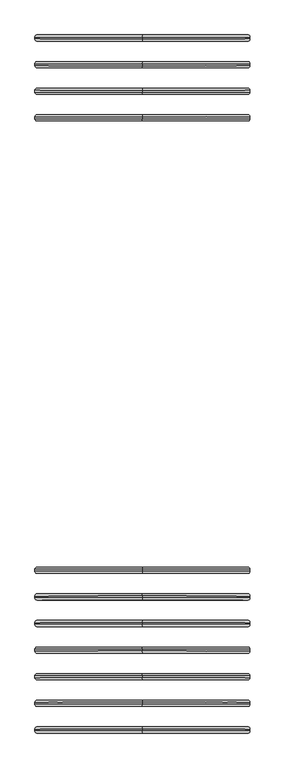
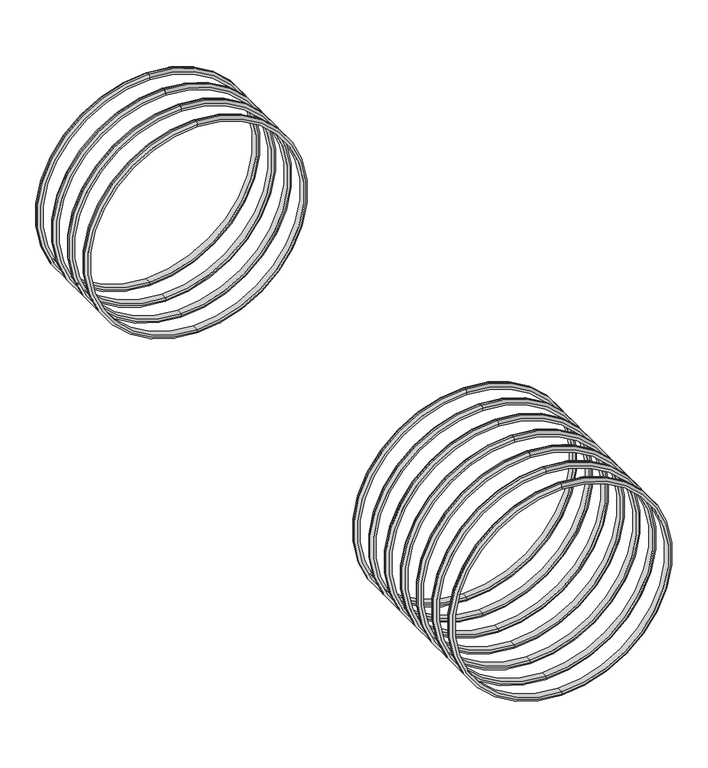
"""IFC4 building model written with IfcOpenShell, lengths in millimetres: proxy geometry."""

from ifc_helpers import new_model, si_unit, point, frame, origin, place, context, project, spatial, polyline, circle_curve, ellipse_curve, trimmed, source, transform, mapped, element, save
from ifc_brep_helpers import plane_surface, cylinder_surface, revolved_surface, advanced_brep


def generic_models_a071ecbd(model_context):
    return source(origin(), model_context, "Body", "AdvancedBrep", [
        advanced_brep(
        [(0.0, -7334.5, -5669.0), (0.0, -7334.5, -3331.0), (0.0, -7334.5, -3306.0), (0.0, -7334.5, -5694.0), (0.0, -7264.5, -5669.0), (0.0, -7264.5, -3331.0), (0.0, -7264.5, -5694.0), (0.0, -7264.5, -3306.0), (0.0, -7309.5, -3281.0), (0.0, -7309.5, -5719.0), (0.0, -7289.5, -3281.0), (0.0, -7289.5, -5719.0)],
        [
            (0, 1, circle_curve(frame((0.0, -7334.5, -4500.0), z_axis=(0.0, 1.0, 0.0), x_axis=(0.0, 0.0, 1.0)), 1169.0)),
            (1, 2),
            (2, 3, circle_curve(frame((0.0, -7334.5, -4500.0), z_axis=(0.0, -1.0, 0.0), x_axis=(0.0, 0.0, 1.0)), 1194.0)),
            (3, 0),
            (4, 5, circle_curve(frame((0.0, -7264.5, -4500.0), z_axis=(0.0, 1.0, 0.0), x_axis=(0.0, 0.0, 1.0)), 1169.0)),
            (5, 1),
            (0, 4),
            (6, 7, circle_curve(frame((0.0, -7264.5, -4500.0), z_axis=(0.0, 1.0, 0.0), x_axis=(0.0, 0.0, 1.0)), 1194.0)),
            (7, 5),
            (4, 6),
            (7, 6, circle_curve(frame((0.0, -7264.5, -4500.0), z_axis=(0.0, 1.0, 0.0), x_axis=(0.0, 0.0, 1.0)), 1194.0)),
            (4, 5, circle_curve(frame((0.0, -7264.5, -4500.0), z_axis=(0.0, -1.0, 0.0), x_axis=(0.0, 0.0, 1.0)), 1169.0)),
            (0, 1, circle_curve(frame((0.0, -7334.5, -4500.0), z_axis=(0.0, -1.0, 0.0), x_axis=(0.0, 0.0, 1.0)), 1169.0)),
            (3, 2, circle_curve(frame((0.0, -7334.5, -4500.0), z_axis=(0.0, -1.0, 0.0), x_axis=(0.0, 0.0, 1.0)), 1194.0)),
            (2, 8, circle_curve(frame((0.0, -7309.5, -3306.0), z_axis=(-1.0, 0.0, 0.0), x_axis=(0.0, -1.0, 0.0)), 25.0)),
            (8, 9, circle_curve(frame((0.0, -7309.5, -4500.0), z_axis=(0.0, -1.0, 0.0), x_axis=(0.0, 0.0, 1.0)), 1219.0)),
            (9, 3, circle_curve(frame((0.0, -7309.5, -5694.0), z_axis=(-1.0, 0.0, 0.0), x_axis=(0.0, -1.0, 0.0)), 25.0)),
            (9, 8, circle_curve(frame((0.0, -7309.5, -4500.0), z_axis=(0.0, -1.0, 0.0), x_axis=(0.0, 0.0, 1.0)), 1219.0)),
            (8, 10),
            (10, 11, circle_curve(frame((0.0, -7289.5, -4500.0), z_axis=(0.0, -1.0, 0.0), x_axis=(0.0, 0.0, 1.0)), 1219.0)),
            (11, 9),
            (11, 10, circle_curve(frame((0.0, -7289.5, -4500.0), z_axis=(0.0, -1.0, 0.0), x_axis=(0.0, 0.0, 1.0)), 1219.0)),
            (10, 7, circle_curve(frame((0.0, -7289.5, -3306.0), z_axis=(-1.0, 0.0, 0.0), x_axis=(0.0, -1.0, 0.0)), 25.0)),
            (6, 11, circle_curve(frame((0.0, -7289.5, -5694.0), z_axis=(-1.0, 0.0, 0.0), x_axis=(0.0, -1.0, 0.0)), 25.0)),
        ],
        [
            plane_surface(frame((0.0, -7334.5, -4500.0), z_axis=(0.0, -1.0, 0.0), x_axis=(0.0, 0.0, 1.0))),
            revolved_surface(polyline([(0.0, -7334.5, -3331.0), (0.0, -7264.5, -3331.0)]), (0.0, -7444.5, -4500.0), (0.0, -1.0, 0.0)),
            plane_surface(frame((0.0, -7264.5, -4500.0), z_axis=(0.0, 1.0, 0.0), x_axis=(0.0, 0.0, 1.0))),
            revolved_surface(trimmed(ellipse_curve(frame((0.0, -7309.5, -3306.0), z_axis=(1.0, 0.0, 0.0), x_axis=(0.0, -1.0, 0.0)), 25.0, 25.0), [point((0.0, -7309.5, -3281.0))], [point((0.0, -7334.5, -3306.0))], True, "CARTESIAN"), (0.0, -7444.5, -4500.0), (0.0, -1.0, 0.0)),
            cylinder_surface(frame((0.0, -7444.5, -4500.0), z_axis=(0.0, -1.0, 0.0), x_axis=(0.0, 0.0, 1.0)), 1219.0),
            revolved_surface(trimmed(ellipse_curve(frame((0.0, -7289.5, -3306.0), z_axis=(1.0, 0.0, 0.0), x_axis=(0.0, -1.0, 0.0)), 25.0, 25.0), [point((0.0, -7264.5, -3306.0))], [point((0.0, -7289.5, -3281.0))], True, "CARTESIAN"), (0.0, -7444.5, -4500.0), (0.0, -1.0, 0.0)),
        ],
        [
            (0, [[1, 2, 3, 4]]),
            (1, [[5, 6, -1, 7]]),
            (2, [[8, 9, -5, 10]]),
            (2, [[11, -10, 12, -9]]),
            (1, [[-12, -7, 13, -6]]),
            (0, [[-13, -4, 14, -2]]),
            (3, [[-3, 15, 16, 17]]),
            (3, [[-14, -17, 18, -15]]),
            (4, [[-16, 19, 20, 21]]),
            (4, [[-18, -21, 22, -19]]),
            (5, [[-20, 23, -8, 24]]),
            (5, [[-22, -24, -11, -23]]),
        ],
    ),
        advanced_brep(
        [(0.0, -7034.5, -5669.0), (0.0, -7034.5, -3331.0), (0.0, -7034.5, -3306.0), (0.0, -7034.5, -5694.0), (0.0, -6964.5, -5669.0), (0.0, -6964.5, -3331.0), (0.0, -6964.5, -5694.0), (0.0, -6964.5, -3306.0), (0.0, -7009.5, -3281.0), (0.0, -7009.5, -5719.0), (0.0, -6989.5, -3281.0), (0.0, -6989.5, -5719.0)],
        [
            (0, 1, circle_curve(frame((0.0, -7034.5, -4500.0), z_axis=(0.0, 1.0, 0.0), x_axis=(0.0, 0.0, 1.0)), 1169.0)),
            (1, 2),
            (2, 3, circle_curve(frame((0.0, -7034.5, -4500.0), z_axis=(0.0, -1.0, 0.0), x_axis=(0.0, 0.0, 1.0)), 1194.0)),
            (3, 0),
            (4, 5, circle_curve(frame((0.0, -6964.5, -4500.0), z_axis=(0.0, 1.0, 0.0), x_axis=(0.0, 0.0, 1.0)), 1169.0)),
            (5, 1),
            (0, 4),
            (6, 7, circle_curve(frame((0.0, -6964.5, -4500.0), z_axis=(0.0, 1.0, 0.0), x_axis=(0.0, 0.0, 1.0)), 1194.0)),
            (7, 5),
            (4, 6),
            (7, 6, circle_curve(frame((0.0, -6964.5, -4500.0), z_axis=(0.0, 1.0, 0.0), x_axis=(0.0, 0.0, 1.0)), 1194.0)),
            (4, 5, circle_curve(frame((0.0, -6964.5, -4500.0), z_axis=(0.0, -1.0, 0.0), x_axis=(0.0, 0.0, 1.0)), 1169.0)),
            (0, 1, circle_curve(frame((0.0, -7034.5, -4500.0), z_axis=(0.0, -1.0, 0.0), x_axis=(0.0, 0.0, 1.0)), 1169.0)),
            (3, 2, circle_curve(frame((0.0, -7034.5, -4500.0), z_axis=(0.0, -1.0, 0.0), x_axis=(0.0, 0.0, 1.0)), 1194.0)),
            (2, 8, circle_curve(frame((0.0, -7009.5, -3306.0), z_axis=(-1.0, 0.0, 0.0), x_axis=(0.0, -1.0, 0.0)), 25.0)),
            (8, 9, circle_curve(frame((0.0, -7009.5, -4500.0), z_axis=(0.0, -1.0, 0.0), x_axis=(0.0, 0.0, 1.0)), 1219.0)),
            (9, 3, circle_curve(frame((0.0, -7009.5, -5694.0), z_axis=(-1.0, 0.0, 0.0), x_axis=(0.0, -1.0, 0.0)), 25.0)),
            (9, 8, circle_curve(frame((0.0, -7009.5, -4500.0), z_axis=(0.0, -1.0, 0.0), x_axis=(0.0, 0.0, 1.0)), 1219.0)),
            (8, 10),
            (10, 11, circle_curve(frame((0.0, -6989.5, -4500.0), z_axis=(0.0, -1.0, 0.0), x_axis=(0.0, 0.0, 1.0)), 1219.0)),
            (11, 9),
            (11, 10, circle_curve(frame((0.0, -6989.5, -4500.0), z_axis=(0.0, -1.0, 0.0), x_axis=(0.0, 0.0, 1.0)), 1219.0)),
            (10, 7, circle_curve(frame((0.0, -6989.5, -3306.0), z_axis=(-1.0, 0.0, 0.0), x_axis=(0.0, -1.0, 0.0)), 25.0)),
            (6, 11, circle_curve(frame((0.0, -6989.5, -5694.0), z_axis=(-1.0, 0.0, 0.0), x_axis=(0.0, -1.0, 0.0)), 25.0)),
        ],
        [
            plane_surface(frame((0.0, -7034.5, -4500.0), z_axis=(0.0, -1.0, 0.0), x_axis=(0.0, 0.0, 1.0))),
            revolved_surface(polyline([(0.0, -7034.5, -3331.0), (0.0, -6964.5, -3331.0)]), (0.0, -7144.5, -4500.0), (0.0, -1.0, 0.0)),
            plane_surface(frame((0.0, -6964.5, -4500.0), z_axis=(0.0, 1.0, 0.0), x_axis=(0.0, 0.0, 1.0))),
            revolved_surface(trimmed(ellipse_curve(frame((0.0, -7009.5, -3306.0), z_axis=(1.0, 0.0, 0.0), x_axis=(0.0, -1.0, 0.0)), 25.0, 25.0), [point((0.0, -7009.5, -3281.0))], [point((0.0, -7034.5, -3306.0))], True, "CARTESIAN"), (0.0, -7144.5, -4500.0), (0.0, -1.0, 0.0)),
            cylinder_surface(frame((0.0, -7144.5, -4500.0), z_axis=(0.0, -1.0, 0.0), x_axis=(0.0, 0.0, 1.0)), 1219.0),
            revolved_surface(trimmed(ellipse_curve(frame((0.0, -6989.5, -3306.0), z_axis=(1.0, 0.0, 0.0), x_axis=(0.0, -1.0, 0.0)), 25.0, 25.0), [point((0.0, -6964.5, -3306.0))], [point((0.0, -6989.5, -3281.0))], True, "CARTESIAN"), (0.0, -7144.5, -4500.0), (0.0, -1.0, 0.0)),
        ],
        [
            (0, [[1, 2, 3, 4]]),
            (1, [[5, 6, -1, 7]]),
            (2, [[8, 9, -5, 10]]),
            (2, [[11, -10, 12, -9]]),
            (1, [[-12, -7, 13, -6]]),
            (0, [[-13, -4, 14, -2]]),
            (3, [[-3, 15, 16, 17]]),
            (3, [[-14, -17, 18, -15]]),
            (4, [[-16, 19, 20, 21]]),
            (4, [[-18, -21, 22, -19]]),
            (5, [[-20, 23, -8, 24]]),
            (5, [[-22, -24, -11, -23]]),
        ],
    ),
        advanced_brep(
        [(0.0, -6734.5, -5669.0), (0.0, -6734.5, -3331.0), (0.0, -6734.5, -3306.0), (0.0, -6734.5, -5694.0), (0.0, -6664.5, -5669.0), (0.0, -6664.5, -3331.0), (0.0, -6664.5, -5694.0), (0.0, -6664.5, -3306.0), (0.0, -6709.5, -3281.0), (0.0, -6709.5, -5719.0), (0.0, -6689.5, -3281.0), (0.0, -6689.5, -5719.0)],
        [
            (0, 1, circle_curve(frame((0.0, -6734.5, -4500.0), z_axis=(0.0, 1.0, 0.0), x_axis=(0.0, 0.0, 1.0)), 1169.0)),
            (1, 2),
            (2, 3, circle_curve(frame((0.0, -6734.5, -4500.0), z_axis=(0.0, -1.0, 0.0), x_axis=(0.0, 0.0, 1.0)), 1194.0)),
            (3, 0),
            (4, 5, circle_curve(frame((0.0, -6664.5, -4500.0), z_axis=(0.0, 1.0, 0.0), x_axis=(0.0, 0.0, 1.0)), 1169.0)),
            (5, 1),
            (0, 4),
            (6, 7, circle_curve(frame((0.0, -6664.5, -4500.0), z_axis=(0.0, 1.0, 0.0), x_axis=(0.0, 0.0, 1.0)), 1194.0)),
            (7, 5),
            (4, 6),
            (7, 6, circle_curve(frame((0.0, -6664.5, -4500.0), z_axis=(0.0, 1.0, 0.0), x_axis=(0.0, 0.0, 1.0)), 1194.0)),
            (4, 5, circle_curve(frame((0.0, -6664.5, -4500.0), z_axis=(0.0, -1.0, 0.0), x_axis=(0.0, 0.0, 1.0)), 1169.0)),
            (0, 1, circle_curve(frame((0.0, -6734.5, -4500.0), z_axis=(0.0, -1.0, 0.0), x_axis=(0.0, 0.0, 1.0)), 1169.0)),
            (3, 2, circle_curve(frame((0.0, -6734.5, -4500.0), z_axis=(0.0, -1.0, 0.0), x_axis=(0.0, 0.0, 1.0)), 1194.0)),
            (2, 8, circle_curve(frame((0.0, -6709.5, -3306.0), z_axis=(-1.0, 0.0, 0.0), x_axis=(0.0, -1.0, 0.0)), 25.0)),
            (8, 9, circle_curve(frame((0.0, -6709.5, -4500.0), z_axis=(0.0, -1.0, 0.0), x_axis=(0.0, 0.0, 1.0)), 1219.0)),
            (9, 3, circle_curve(frame((0.0, -6709.5, -5694.0), z_axis=(-1.0, 0.0, 0.0), x_axis=(0.0, -1.0, 0.0)), 25.0)),
            (9, 8, circle_curve(frame((0.0, -6709.5, -4500.0), z_axis=(0.0, -1.0, 0.0), x_axis=(0.0, 0.0, 1.0)), 1219.0)),
            (8, 10),
            (10, 11, circle_curve(frame((0.0, -6689.5, -4500.0), z_axis=(0.0, -1.0, 0.0), x_axis=(0.0, 0.0, 1.0)), 1219.0)),
            (11, 9),
            (11, 10, circle_curve(frame((0.0, -6689.5, -4500.0), z_axis=(0.0, -1.0, 0.0), x_axis=(0.0, 0.0, 1.0)), 1219.0)),
            (10, 7, circle_curve(frame((0.0, -6689.5, -3306.0), z_axis=(-1.0, 0.0, 0.0), x_axis=(0.0, -1.0, 0.0)), 25.0)),
            (6, 11, circle_curve(frame((0.0, -6689.5, -5694.0), z_axis=(-1.0, 0.0, 0.0), x_axis=(0.0, -1.0, 0.0)), 25.0)),
        ],
        [
            plane_surface(frame((0.0, -6734.5, -4500.0), z_axis=(0.0, -1.0, 0.0), x_axis=(0.0, 0.0, 1.0))),
            revolved_surface(polyline([(0.0, -6734.5, -3331.0), (0.0, -6664.5, -3331.0)]), (0.0, -6844.5, -4500.0), (0.0, -1.0, 0.0)),
            plane_surface(frame((0.0, -6664.5, -4500.0), z_axis=(0.0, 1.0, 0.0), x_axis=(0.0, 0.0, 1.0))),
            revolved_surface(trimmed(ellipse_curve(frame((0.0, -6709.5, -3306.0), z_axis=(1.0, 0.0, 0.0), x_axis=(0.0, -1.0, 0.0)), 25.0, 25.0), [point((0.0, -6709.5, -3281.0))], [point((0.0, -6734.5, -3306.0))], True, "CARTESIAN"), (0.0, -6844.5, -4500.0), (0.0, -1.0, 0.0)),
            cylinder_surface(frame((0.0, -6844.5, -4500.0), z_axis=(0.0, -1.0, 0.0), x_axis=(0.0, 0.0, 1.0)), 1219.0),
            revolved_surface(trimmed(ellipse_curve(frame((0.0, -6689.5, -3306.0), z_axis=(1.0, 0.0, 0.0), x_axis=(0.0, -1.0, 0.0)), 25.0, 25.0), [point((0.0, -6664.5, -3306.0))], [point((0.0, -6689.5, -3281.0))], True, "CARTESIAN"), (0.0, -6844.5, -4500.0), (0.0, -1.0, 0.0)),
        ],
        [
            (0, [[1, 2, 3, 4]]),
            (1, [[5, 6, -1, 7]]),
            (2, [[8, 9, -5, 10]]),
            (2, [[11, -10, 12, -9]]),
            (1, [[-12, -7, 13, -6]]),
            (0, [[-13, -4, 14, -2]]),
            (3, [[-3, 15, 16, 17]]),
            (3, [[-14, -17, 18, -15]]),
            (4, [[-16, 19, 20, 21]]),
            (4, [[-18, -21, 22, -19]]),
            (5, [[-20, 23, -8, 24]]),
            (5, [[-22, -24, -11, -23]]),
        ],
    ),
        advanced_brep(
        [(0.0, -6434.5, -5669.0), (0.0, -6434.5, -3331.0), (0.0, -6434.5, -3306.0), (0.0, -6434.5, -5694.0), (0.0, -6364.5, -5669.0), (0.0, -6364.5, -3331.0), (0.0, -6364.5, -5694.0), (0.0, -6364.5, -3306.0), (0.0, -6409.5, -3281.0), (0.0, -6409.5, -5719.0), (0.0, -6389.5, -3281.0), (0.0, -6389.5, -5719.0)],
        [
            (0, 1, circle_curve(frame((0.0, -6434.5, -4500.0), z_axis=(0.0, 1.0, 0.0), x_axis=(0.0, 0.0, 1.0)), 1169.0)),
            (1, 2),
            (2, 3, circle_curve(frame((0.0, -6434.5, -4500.0), z_axis=(0.0, -1.0, 0.0), x_axis=(0.0, 0.0, 1.0)), 1194.0)),
            (3, 0),
            (4, 5, circle_curve(frame((0.0, -6364.5, -4500.0), z_axis=(0.0, 1.0, 0.0), x_axis=(0.0, 0.0, 1.0)), 1169.0)),
            (5, 1),
            (0, 4),
            (6, 7, circle_curve(frame((0.0, -6364.5, -4500.0), z_axis=(0.0, 1.0, 0.0), x_axis=(0.0, 0.0, 1.0)), 1194.0)),
            (7, 5),
            (4, 6),
            (7, 6, circle_curve(frame((0.0, -6364.5, -4500.0), z_axis=(0.0, 1.0, 0.0), x_axis=(0.0, 0.0, 1.0)), 1194.0)),
            (4, 5, circle_curve(frame((0.0, -6364.5, -4500.0), z_axis=(0.0, -1.0, 0.0), x_axis=(0.0, 0.0, 1.0)), 1169.0)),
            (0, 1, circle_curve(frame((0.0, -6434.5, -4500.0), z_axis=(0.0, -1.0, 0.0), x_axis=(0.0, 0.0, 1.0)), 1169.0)),
            (3, 2, circle_curve(frame((0.0, -6434.5, -4500.0), z_axis=(0.0, -1.0, 0.0), x_axis=(0.0, 0.0, 1.0)), 1194.0)),
            (2, 8, circle_curve(frame((0.0, -6409.5, -3306.0), z_axis=(-1.0, 0.0, 0.0), x_axis=(0.0, -1.0, 0.0)), 25.0)),
            (8, 9, circle_curve(frame((0.0, -6409.5, -4500.0), z_axis=(0.0, -1.0, 0.0), x_axis=(0.0, 0.0, 1.0)), 1219.0)),
            (9, 3, circle_curve(frame((0.0, -6409.5, -5694.0), z_axis=(-1.0, 0.0, 0.0), x_axis=(0.0, -1.0, 0.0)), 25.0)),
            (9, 8, circle_curve(frame((0.0, -6409.5, -4500.0), z_axis=(0.0, -1.0, 0.0), x_axis=(0.0, 0.0, 1.0)), 1219.0)),
            (8, 10),
            (10, 11, circle_curve(frame((0.0, -6389.5, -4500.0), z_axis=(0.0, -1.0, 0.0), x_axis=(0.0, 0.0, 1.0)), 1219.0)),
            (11, 9),
            (11, 10, circle_curve(frame((0.0, -6389.5, -4500.0), z_axis=(0.0, -1.0, 0.0), x_axis=(0.0, 0.0, 1.0)), 1219.0)),
            (10, 7, circle_curve(frame((0.0, -6389.5, -3306.0), z_axis=(-1.0, 0.0, 0.0), x_axis=(0.0, -1.0, 0.0)), 25.0)),
            (6, 11, circle_curve(frame((0.0, -6389.5, -5694.0), z_axis=(-1.0, 0.0, 0.0), x_axis=(0.0, -1.0, 0.0)), 25.0)),
        ],
        [
            plane_surface(frame((0.0, -6434.5, -4500.0), z_axis=(0.0, -1.0, 0.0), x_axis=(0.0, 0.0, 1.0))),
            revolved_surface(polyline([(0.0, -6434.5, -3331.0), (0.0, -6364.5, -3331.0)]), (0.0, -6544.5, -4500.0), (0.0, -1.0, 0.0)),
            plane_surface(frame((0.0, -6364.5, -4500.0), z_axis=(0.0, 1.0, 0.0), x_axis=(0.0, 0.0, 1.0))),
            revolved_surface(trimmed(ellipse_curve(frame((0.0, -6409.5, -3306.0), z_axis=(1.0, 0.0, 0.0), x_axis=(0.0, -1.0, 0.0)), 25.0, 25.0), [point((0.0, -6409.5, -3281.0))], [point((0.0, -6434.5, -3306.0))], True, "CARTESIAN"), (0.0, -6544.5, -4500.0), (0.0, -1.0, 0.0)),
            cylinder_surface(frame((0.0, -6544.5, -4500.0), z_axis=(0.0, -1.0, 0.0), x_axis=(0.0, 0.0, 1.0)), 1219.0),
            revolved_surface(trimmed(ellipse_curve(frame((0.0, -6389.5, -3306.0), z_axis=(1.0, 0.0, 0.0), x_axis=(0.0, -1.0, 0.0)), 25.0, 25.0), [point((0.0, -6364.5, -3306.0))], [point((0.0, -6389.5, -3281.0))], True, "CARTESIAN"), (0.0, -6544.5, -4500.0), (0.0, -1.0, 0.0)),
        ],
        [
            (0, [[1, 2, 3, 4]]),
            (1, [[5, 6, -1, 7]]),
            (2, [[8, 9, -5, 10]]),
            (2, [[11, -10, 12, -9]]),
            (1, [[-12, -7, 13, -6]]),
            (0, [[-13, -4, 14, -2]]),
            (3, [[-3, 15, 16, 17]]),
            (3, [[-14, -17, 18, -15]]),
            (4, [[-16, 19, 20, 21]]),
            (4, [[-18, -21, 22, -19]]),
            (5, [[-20, 23, -8, 24]]),
            (5, [[-22, -24, -11, -23]]),
        ],
    ),
        advanced_brep(
        [(0.0, -6134.5, -5669.0), (0.0, -6134.5, -3331.0), (0.0, -6134.5, -3306.0), (0.0, -6134.5, -5694.0), (0.0, -6064.5, -5669.0), (0.0, -6064.5, -3331.0), (0.0, -6064.5, -5694.0), (0.0, -6064.5, -3306.0), (0.0, -6109.5, -3281.0), (0.0, -6109.5, -5719.0), (0.0, -6089.5, -3281.0), (0.0, -6089.5, -5719.0)],
        [
            (0, 1, circle_curve(frame((0.0, -6134.5, -4500.0), z_axis=(0.0, 1.0, 0.0), x_axis=(0.0, 0.0, 1.0)), 1169.0)),
            (1, 2),
            (2, 3, circle_curve(frame((0.0, -6134.5, -4500.0), z_axis=(0.0, -1.0, 0.0), x_axis=(0.0, 0.0, 1.0)), 1194.0)),
            (3, 0),
            (4, 5, circle_curve(frame((0.0, -6064.5, -4500.0), z_axis=(0.0, 1.0, 0.0), x_axis=(0.0, 0.0, 1.0)), 1169.0)),
            (5, 1),
            (0, 4),
            (6, 7, circle_curve(frame((0.0, -6064.5, -4500.0), z_axis=(0.0, 1.0, 0.0), x_axis=(0.0, 0.0, 1.0)), 1194.0)),
            (7, 5),
            (4, 6),
            (7, 6, circle_curve(frame((0.0, -6064.5, -4500.0), z_axis=(0.0, 1.0, 0.0), x_axis=(0.0, 0.0, 1.0)), 1194.0)),
            (4, 5, circle_curve(frame((0.0, -6064.5, -4500.0), z_axis=(0.0, -1.0, 0.0), x_axis=(0.0, 0.0, 1.0)), 1169.0)),
            (0, 1, circle_curve(frame((0.0, -6134.5, -4500.0), z_axis=(0.0, -1.0, 0.0), x_axis=(0.0, 0.0, 1.0)), 1169.0)),
            (3, 2, circle_curve(frame((0.0, -6134.5, -4500.0), z_axis=(0.0, -1.0, 0.0), x_axis=(0.0, 0.0, 1.0)), 1194.0)),
            (2, 8, circle_curve(frame((0.0, -6109.5, -3306.0), z_axis=(-1.0, 0.0, 0.0), x_axis=(0.0, -1.0, 0.0)), 25.0)),
            (8, 9, circle_curve(frame((0.0, -6109.5, -4500.0), z_axis=(0.0, -1.0, 0.0), x_axis=(0.0, 0.0, 1.0)), 1219.0)),
            (9, 3, circle_curve(frame((0.0, -6109.5, -5694.0), z_axis=(-1.0, 0.0, 0.0), x_axis=(0.0, -1.0, 0.0)), 25.0)),
            (9, 8, circle_curve(frame((0.0, -6109.5, -4500.0), z_axis=(0.0, -1.0, 0.0), x_axis=(0.0, 0.0, 1.0)), 1219.0)),
            (8, 10),
            (10, 11, circle_curve(frame((0.0, -6089.5, -4500.0), z_axis=(0.0, -1.0, 0.0), x_axis=(0.0, 0.0, 1.0)), 1219.0)),
            (11, 9),
            (11, 10, circle_curve(frame((0.0, -6089.5, -4500.0), z_axis=(0.0, -1.0, 0.0), x_axis=(0.0, 0.0, 1.0)), 1219.0)),
            (10, 7, circle_curve(frame((0.0, -6089.5, -3306.0), z_axis=(-1.0, 0.0, 0.0), x_axis=(0.0, -1.0, 0.0)), 25.0)),
            (6, 11, circle_curve(frame((0.0, -6089.5, -5694.0), z_axis=(-1.0, 0.0, 0.0), x_axis=(0.0, -1.0, 0.0)), 25.0)),
        ],
        [
            plane_surface(frame((0.0, -6134.5, -4500.0), z_axis=(0.0, -1.0, 0.0), x_axis=(0.0, 0.0, 1.0))),
            revolved_surface(polyline([(0.0, -6134.5, -3331.0), (0.0, -6064.5, -3331.0)]), (0.0, -6244.5, -4500.0), (0.0, -1.0, 0.0)),
            plane_surface(frame((0.0, -6064.5, -4500.0), z_axis=(0.0, 1.0, 0.0), x_axis=(0.0, 0.0, 1.0))),
            revolved_surface(trimmed(ellipse_curve(frame((0.0, -6109.5, -3306.0), z_axis=(1.0, 0.0, 0.0), x_axis=(0.0, -1.0, 0.0)), 25.0, 25.0), [point((0.0, -6109.5, -3281.0))], [point((0.0, -6134.5, -3306.0))], True, "CARTESIAN"), (0.0, -6244.5, -4500.0), (0.0, -1.0, 0.0)),
            cylinder_surface(frame((0.0, -6244.5, -4500.0), z_axis=(0.0, -1.0, 0.0), x_axis=(0.0, 0.0, 1.0)), 1219.0),
            revolved_surface(trimmed(ellipse_curve(frame((0.0, -6089.5, -3306.0), z_axis=(1.0, 0.0, 0.0), x_axis=(0.0, -1.0, 0.0)), 25.0, 25.0), [point((0.0, -6064.5, -3306.0))], [point((0.0, -6089.5, -3281.0))], True, "CARTESIAN"), (0.0, -6244.5, -4500.0), (0.0, -1.0, 0.0)),
        ],
        [
            (0, [[1, 2, 3, 4]]),
            (1, [[5, 6, -1, 7]]),
            (2, [[8, 9, -5, 10]]),
            (2, [[11, -10, 12, -9]]),
            (1, [[-12, -7, 13, -6]]),
            (0, [[-13, -4, 14, -2]]),
            (3, [[-3, 15, 16, 17]]),
            (3, [[-14, -17, 18, -15]]),
            (4, [[-16, 19, 20, 21]]),
            (4, [[-18, -21, 22, -19]]),
            (5, [[-20, 23, -8, 24]]),
            (5, [[-22, -24, -11, -23]]),
        ],
    ),
        advanced_brep(
        [(0.0, -5834.5, -5669.0), (0.0, -5834.5, -3331.0), (0.0, -5834.5, -3306.0), (0.0, -5834.5, -5694.0), (0.0, -5764.5, -5669.0), (0.0, -5764.5, -3331.0), (0.0, -5764.5, -5694.0), (0.0, -5764.5, -3306.0), (0.0, -5809.5, -3281.0), (0.0, -5809.5, -5719.0), (0.0, -5789.5, -3281.0), (0.0, -5789.5, -5719.0)],
        [
            (0, 1, circle_curve(frame((0.0, -5834.5, -4500.0), z_axis=(0.0, 1.0, 0.0), x_axis=(0.0, 0.0, 1.0)), 1169.0)),
            (1, 2),
            (2, 3, circle_curve(frame((0.0, -5834.5, -4500.0), z_axis=(0.0, -1.0, 0.0), x_axis=(0.0, 0.0, 1.0)), 1194.0)),
            (3, 0),
            (4, 5, circle_curve(frame((0.0, -5764.5, -4500.0), z_axis=(0.0, 1.0, 0.0), x_axis=(0.0, 0.0, 1.0)), 1169.0)),
            (5, 1),
            (0, 4),
            (6, 7, circle_curve(frame((0.0, -5764.5, -4500.0), z_axis=(0.0, 1.0, 0.0), x_axis=(0.0, 0.0, 1.0)), 1194.0)),
            (7, 5),
            (4, 6),
            (7, 6, circle_curve(frame((0.0, -5764.5, -4500.0), z_axis=(0.0, 1.0, 0.0), x_axis=(0.0, 0.0, 1.0)), 1194.0)),
            (4, 5, circle_curve(frame((0.0, -5764.5, -4500.0), z_axis=(0.0, -1.0, 0.0), x_axis=(0.0, 0.0, 1.0)), 1169.0)),
            (0, 1, circle_curve(frame((0.0, -5834.5, -4500.0), z_axis=(0.0, -1.0, 0.0), x_axis=(0.0, 0.0, 1.0)), 1169.0)),
            (3, 2, circle_curve(frame((0.0, -5834.5, -4500.0), z_axis=(0.0, -1.0, 0.0), x_axis=(0.0, 0.0, 1.0)), 1194.0)),
            (2, 8, circle_curve(frame((0.0, -5809.5, -3306.0), z_axis=(-1.0, 0.0, 0.0), x_axis=(0.0, -1.0, 0.0)), 25.0)),
            (8, 9, circle_curve(frame((0.0, -5809.5, -4500.0), z_axis=(0.0, -1.0, 0.0), x_axis=(0.0, 0.0, 1.0)), 1219.0)),
            (9, 3, circle_curve(frame((0.0, -5809.5, -5694.0), z_axis=(-1.0, 0.0, 0.0), x_axis=(0.0, -1.0, 0.0)), 25.0)),
            (9, 8, circle_curve(frame((0.0, -5809.5, -4500.0), z_axis=(0.0, -1.0, 0.0), x_axis=(0.0, 0.0, 1.0)), 1219.0)),
            (8, 10),
            (10, 11, circle_curve(frame((0.0, -5789.5, -4500.0), z_axis=(0.0, -1.0, 0.0), x_axis=(0.0, 0.0, 1.0)), 1219.0)),
            (11, 9),
            (11, 10, circle_curve(frame((0.0, -5789.5, -4500.0), z_axis=(0.0, -1.0, 0.0), x_axis=(0.0, 0.0, 1.0)), 1219.0)),
            (10, 7, circle_curve(frame((0.0, -5789.5, -3306.0), z_axis=(-1.0, 0.0, 0.0), x_axis=(0.0, -1.0, 0.0)), 25.0)),
            (6, 11, circle_curve(frame((0.0, -5789.5, -5694.0), z_axis=(-1.0, 0.0, 0.0), x_axis=(0.0, -1.0, 0.0)), 25.0)),
        ],
        [
            plane_surface(frame((0.0, -5834.5, -4500.0), z_axis=(0.0, -1.0, 0.0), x_axis=(0.0, 0.0, 1.0))),
            revolved_surface(polyline([(0.0, -5834.5, -3331.0), (0.0, -5764.5, -3331.0)]), (0.0, -5944.5, -4500.0), (0.0, -1.0, 0.0)),
            plane_surface(frame((0.0, -5764.5, -4500.0), z_axis=(0.0, 1.0, 0.0), x_axis=(0.0, 0.0, 1.0))),
            revolved_surface(trimmed(ellipse_curve(frame((0.0, -5809.5, -3306.0), z_axis=(1.0, 0.0, 0.0), x_axis=(0.0, -1.0, 0.0)), 25.0, 25.0), [point((0.0, -5809.5, -3281.0))], [point((0.0, -5834.5, -3306.0))], True, "CARTESIAN"), (0.0, -5944.5, -4500.0), (0.0, -1.0, 0.0)),
            cylinder_surface(frame((0.0, -5944.5, -4500.0), z_axis=(0.0, -1.0, 0.0), x_axis=(0.0, 0.0, 1.0)), 1219.0),
            revolved_surface(trimmed(ellipse_curve(frame((0.0, -5789.5, -3306.0), z_axis=(1.0, 0.0, 0.0), x_axis=(0.0, -1.0, 0.0)), 25.0, 25.0), [point((0.0, -5764.5, -3306.0))], [point((0.0, -5789.5, -3281.0))], True, "CARTESIAN"), (0.0, -5944.5, -4500.0), (0.0, -1.0, 0.0)),
        ],
        [
            (0, [[1, 2, 3, 4]]),
            (1, [[5, 6, -1, 7]]),
            (2, [[8, 9, -5, 10]]),
            (2, [[11, -10, 12, -9]]),
            (1, [[-12, -7, 13, -6]]),
            (0, [[-13, -4, 14, -2]]),
            (3, [[-3, 15, 16, 17]]),
            (3, [[-14, -17, 18, -15]]),
            (4, [[-16, 19, 20, 21]]),
            (4, [[-18, -21, 22, -19]]),
            (5, [[-20, 23, -8, 24]]),
            (5, [[-22, -24, -11, -23]]),
        ],
    ),
        advanced_brep(
        [(0.0, -5534.5, -5669.0), (0.0, -5534.5, -3331.0), (0.0, -5534.5, -3306.0), (0.0, -5534.5, -5694.0), (0.0, -5464.5, -5669.0), (0.0, -5464.5, -3331.0), (0.0, -5464.5, -5694.0), (0.0, -5464.5, -3306.0), (0.0, -5509.5, -3281.0), (0.0, -5509.5, -5719.0), (0.0, -5489.5, -3281.0), (0.0, -5489.5, -5719.0)],
        [
            (0, 1, circle_curve(frame((0.0, -5534.5, -4500.0), z_axis=(0.0, 1.0, 0.0), x_axis=(0.0, 0.0, 1.0)), 1169.0)),
            (1, 2),
            (2, 3, circle_curve(frame((0.0, -5534.5, -4500.0), z_axis=(0.0, -1.0, 0.0), x_axis=(0.0, 0.0, 1.0)), 1194.0)),
            (3, 0),
            (4, 5, circle_curve(frame((0.0, -5464.5, -4500.0), z_axis=(0.0, 1.0, 0.0), x_axis=(0.0, 0.0, 1.0)), 1169.0)),
            (5, 1),
            (0, 4),
            (6, 7, circle_curve(frame((0.0, -5464.5, -4500.0), z_axis=(0.0, 1.0, 0.0), x_axis=(0.0, 0.0, 1.0)), 1194.0)),
            (7, 5),
            (4, 6),
            (7, 6, circle_curve(frame((0.0, -5464.5, -4500.0), z_axis=(0.0, 1.0, 0.0), x_axis=(0.0, 0.0, 1.0)), 1194.0)),
            (4, 5, circle_curve(frame((0.0, -5464.5, -4500.0), z_axis=(0.0, -1.0, 0.0), x_axis=(0.0, 0.0, 1.0)), 1169.0)),
            (0, 1, circle_curve(frame((0.0, -5534.5, -4500.0), z_axis=(0.0, -1.0, 0.0), x_axis=(0.0, 0.0, 1.0)), 1169.0)),
            (3, 2, circle_curve(frame((0.0, -5534.5, -4500.0), z_axis=(0.0, -1.0, 0.0), x_axis=(0.0, 0.0, 1.0)), 1194.0)),
            (2, 8, circle_curve(frame((0.0, -5509.5, -3306.0), z_axis=(-1.0, 0.0, 0.0), x_axis=(0.0, -1.0, 0.0)), 25.0)),
            (8, 9, circle_curve(frame((0.0, -5509.5, -4500.0), z_axis=(0.0, -1.0, 0.0), x_axis=(0.0, 0.0, 1.0)), 1219.0)),
            (9, 3, circle_curve(frame((0.0, -5509.5, -5694.0), z_axis=(-1.0, 0.0, 0.0), x_axis=(0.0, -1.0, 0.0)), 25.0)),
            (9, 8, circle_curve(frame((0.0, -5509.5, -4500.0), z_axis=(0.0, -1.0, 0.0), x_axis=(0.0, 0.0, 1.0)), 1219.0)),
            (8, 10),
            (10, 11, circle_curve(frame((0.0, -5489.5, -4500.0), z_axis=(0.0, -1.0, 0.0), x_axis=(0.0, 0.0, 1.0)), 1219.0)),
            (11, 9),
            (11, 10, circle_curve(frame((0.0, -5489.5, -4500.0), z_axis=(0.0, -1.0, 0.0), x_axis=(0.0, 0.0, 1.0)), 1219.0)),
            (10, 7, circle_curve(frame((0.0, -5489.5, -3306.0), z_axis=(-1.0, 0.0, 0.0), x_axis=(0.0, -1.0, 0.0)), 25.0)),
            (6, 11, circle_curve(frame((0.0, -5489.5, -5694.0), z_axis=(-1.0, 0.0, 0.0), x_axis=(0.0, -1.0, 0.0)), 25.0)),
        ],
        [
            plane_surface(frame((0.0, -5534.5, -4500.0), z_axis=(0.0, -1.0, 0.0), x_axis=(0.0, 0.0, 1.0))),
            revolved_surface(polyline([(0.0, -5534.5, -3331.0), (0.0, -5464.5, -3331.0)]), (0.0, -5644.5, -4500.0), (0.0, -1.0, 0.0)),
            plane_surface(frame((0.0, -5464.5, -4500.0), z_axis=(0.0, 1.0, 0.0), x_axis=(0.0, 0.0, 1.0))),
            revolved_surface(trimmed(ellipse_curve(frame((0.0, -5509.5, -3306.0), z_axis=(1.0, 0.0, 0.0), x_axis=(0.0, -1.0, 0.0)), 25.0, 25.0), [point((0.0, -5509.5, -3281.0))], [point((0.0, -5534.5, -3306.0))], True, "CARTESIAN"), (0.0, -5644.5, -4500.0), (0.0, -1.0, 0.0)),
            cylinder_surface(frame((0.0, -5644.5, -4500.0), z_axis=(0.0, -1.0, 0.0), x_axis=(0.0, 0.0, 1.0)), 1219.0),
            revolved_surface(trimmed(ellipse_curve(frame((0.0, -5489.5, -3306.0), z_axis=(1.0, 0.0, 0.0), x_axis=(0.0, -1.0, 0.0)), 25.0, 25.0), [point((0.0, -5464.5, -3306.0))], [point((0.0, -5489.5, -3281.0))], True, "CARTESIAN"), (0.0, -5644.5, -4500.0), (0.0, -1.0, 0.0)),
        ],
        [
            (0, [[1, 2, 3, 4]]),
            (1, [[5, 6, -1, 7]]),
            (2, [[8, 9, -5, 10]]),
            (2, [[11, -10, 12, -9]]),
            (1, [[-12, -7, 13, -6]]),
            (0, [[-13, -4, 14, -2]]),
            (3, [[-3, 15, 16, 17]]),
            (3, [[-14, -17, 18, -15]]),
            (4, [[-16, 19, 20, 21]]),
            (4, [[-18, -21, 22, -19]]),
            (5, [[-20, 23, -8, 24]]),
            (5, [[-22, -24, -11, -23]]),
        ],
    ),
        advanced_brep(
        [(0.0, 535.5, -5694.0), (0.0, 535.5, -3306.0), (0.0, 535.5, -3331.0), (0.0, 535.5, -5669.0), (0.0, 465.5, -3331.0), (0.0, 465.5, -5669.0), (0.0, 465.5, -3306.0), (0.0, 465.5, -5694.0), (0.0, 510.5, -5719.0), (0.0, 510.5, -3281.0), (0.0, 490.5, -5719.0), (0.0, 490.5, -3281.0)],
        [
            (0, 1, circle_curve(frame((0.0, 535.5, -4500.0), z_axis=(0.0, 1.0, 0.0), x_axis=(0.0, 0.0, 1.0)), 1194.0)),
            (1, 2),
            (2, 3, circle_curve(frame((0.0, 535.5, -4500.0), z_axis=(0.0, -1.0, 0.0), x_axis=(0.0, 0.0, 1.0)), 1169.0)),
            (3, 0),
            (2, 4),
            (4, 5, circle_curve(frame((0.0, 465.5, -4500.0), z_axis=(0.0, -1.0, 0.0), x_axis=(0.0, 0.0, 1.0)), 1169.0)),
            (5, 3),
            (4, 6),
            (6, 7, circle_curve(frame((0.0, 465.5, -4500.0), z_axis=(0.0, -1.0, 0.0), x_axis=(0.0, 0.0, 1.0)), 1194.0)),
            (7, 5),
            (4, 5, circle_curve(frame((0.0, 465.5, -4500.0), z_axis=(0.0, 1.0, 0.0), x_axis=(0.0, 0.0, 1.0)), 1169.0)),
            (7, 6, circle_curve(frame((0.0, 465.5, -4500.0), z_axis=(0.0, -1.0, 0.0), x_axis=(0.0, 0.0, 1.0)), 1194.0)),
            (2, 3, circle_curve(frame((0.0, 535.5, -4500.0), z_axis=(0.0, 1.0, 0.0), x_axis=(0.0, 0.0, 1.0)), 1169.0)),
            (1, 0, circle_curve(frame((0.0, 535.5, -4500.0), z_axis=(0.0, 1.0, 0.0), x_axis=(0.0, 0.0, 1.0)), 1194.0)),
            (8, 9, circle_curve(frame((0.0, 510.5, -4500.0), z_axis=(0.0, 1.0, 0.0), x_axis=(0.0, 0.0, 1.0)), 1219.0)),
            (9, 1, circle_curve(frame((0.0, 510.5, -3306.0), z_axis=(-1.0, 0.0, 0.0), x_axis=(0.0, 1.0, 0.0)), 25.0)),
            (0, 8, circle_curve(frame((0.0, 510.5, -5694.0), z_axis=(-1.0, 0.0, 0.0), x_axis=(0.0, 1.0, 0.0)), 25.0)),
            (9, 8, circle_curve(frame((0.0, 510.5, -4500.0), z_axis=(0.0, 1.0, 0.0), x_axis=(0.0, 0.0, 1.0)), 1219.0)),
            (10, 11, circle_curve(frame((0.0, 490.5, -4500.0), z_axis=(0.0, 1.0, 0.0), x_axis=(0.0, 0.0, 1.0)), 1219.0)),
            (11, 9),
            (8, 10),
            (11, 10, circle_curve(frame((0.0, 490.5, -4500.0), z_axis=(0.0, 1.0, 0.0), x_axis=(0.0, 0.0, 1.0)), 1219.0)),
            (6, 11, circle_curve(frame((0.0, 490.5, -3306.0), z_axis=(-1.0, 0.0, 0.0), x_axis=(0.0, 1.0, 0.0)), 25.0)),
            (10, 7, circle_curve(frame((0.0, 490.5, -5694.0), z_axis=(-1.0, 0.0, 0.0), x_axis=(0.0, 1.0, 0.0)), 25.0)),
        ],
        [
            plane_surface(frame((0.0, 535.5, -4500.0), z_axis=(0.0, 1.0, 0.0), x_axis=(0.0, 0.0, 1.0))),
            revolved_surface(polyline([(0.0, 465.5, -3331.0), (0.0, 535.5, -3331.0)]), (0.0, 645.5, -4500.0), (0.0, -1.0, 0.0)),
            plane_surface(frame((0.0, 465.5, -4500.0), z_axis=(0.0, -1.0, 0.0), x_axis=(0.0, 0.0, 1.0))),
            revolved_surface(trimmed(ellipse_curve(frame((0.0, 510.5, -3306.0), z_axis=(1.0, 0.0, 0.0), x_axis=(0.0, 1.0, 0.0)), 25.0, 25.0), [point((0.0, 535.5, -3306.0))], [point((0.0, 510.5, -3281.0))], True, "CARTESIAN"), (0.0, 645.5, -4500.0), (0.0, -1.0, 0.0)),
            cylinder_surface(frame((0.0, 645.5, -4500.0), z_axis=(0.0, -1.0, 0.0), x_axis=(0.0, 0.0, 1.0)), 1219.0),
            revolved_surface(trimmed(ellipse_curve(frame((0.0, 490.5, -3306.0), z_axis=(1.0, 0.0, 0.0), x_axis=(0.0, 1.0, 0.0)), 25.0, 25.0), [point((0.0, 490.5, -3281.0))], [point((0.0, 465.5, -3306.0))], True, "CARTESIAN"), (0.0, 645.5, -4500.0), (0.0, -1.0, 0.0)),
        ],
        [
            (0, [[1, 2, 3, 4]]),
            (1, [[-3, 5, 6, 7]]),
            (2, [[-6, 8, 9, 10]]),
            (2, [[11, -10, 12, -8]]),
            (1, [[13, -7, -11, -5]]),
            (0, [[14, -4, -13, -2]]),
            (3, [[15, 16, -1, 17]]),
            (3, [[18, -17, -14, -16]]),
            (4, [[19, 20, -15, 21]]),
            (4, [[22, -21, -18, -20]]),
            (5, [[-9, 23, -19, 24]]),
            (5, [[-12, -24, -22, -23]]),
        ],
    ),
        advanced_brep(
        [(0.0, 235.5, -5694.0), (0.0, 235.5, -3306.0), (0.0, 235.5, -3331.0), (0.0, 235.5, -5669.0), (0.0, 165.5, -3331.0), (0.0, 165.5, -5669.0), (0.0, 165.5, -3306.0), (0.0, 165.5, -5694.0), (0.0, 210.5, -5719.0), (0.0, 210.5, -3281.0), (0.0, 190.5, -5719.0), (0.0, 190.5, -3281.0)],
        [
            (0, 1, circle_curve(frame((0.0, 235.5, -4500.0), z_axis=(0.0, 1.0, 0.0), x_axis=(0.0, 0.0, 1.0)), 1194.0)),
            (1, 2),
            (2, 3, circle_curve(frame((0.0, 235.5, -4500.0), z_axis=(0.0, -1.0, 0.0), x_axis=(0.0, 0.0, 1.0)), 1169.0)),
            (3, 0),
            (2, 4),
            (4, 5, circle_curve(frame((0.0, 165.5, -4500.0), z_axis=(0.0, -1.0, 0.0), x_axis=(0.0, 0.0, 1.0)), 1169.0)),
            (5, 3),
            (4, 6),
            (6, 7, circle_curve(frame((0.0, 165.5, -4500.0), z_axis=(0.0, -1.0, 0.0), x_axis=(0.0, 0.0, 1.0)), 1194.0)),
            (7, 5),
            (4, 5, circle_curve(frame((0.0, 165.5, -4500.0), z_axis=(0.0, 1.0, 0.0), x_axis=(0.0, 0.0, 1.0)), 1169.0)),
            (7, 6, circle_curve(frame((0.0, 165.5, -4500.0), z_axis=(0.0, -1.0, 0.0), x_axis=(0.0, 0.0, 1.0)), 1194.0)),
            (2, 3, circle_curve(frame((0.0, 235.5, -4500.0), z_axis=(0.0, 1.0, 0.0), x_axis=(0.0, 0.0, 1.0)), 1169.0)),
            (1, 0, circle_curve(frame((0.0, 235.5, -4500.0), z_axis=(0.0, 1.0, 0.0), x_axis=(0.0, 0.0, 1.0)), 1194.0)),
            (8, 9, circle_curve(frame((0.0, 210.5, -4500.0), z_axis=(0.0, 1.0, 0.0), x_axis=(0.0, 0.0, 1.0)), 1219.0)),
            (9, 1, circle_curve(frame((0.0, 210.5, -3306.0), z_axis=(-1.0, 0.0, 0.0), x_axis=(0.0, 1.0, 0.0)), 25.0)),
            (0, 8, circle_curve(frame((0.0, 210.5, -5694.0), z_axis=(-1.0, 0.0, 0.0), x_axis=(0.0, 1.0, 0.0)), 25.0)),
            (9, 8, circle_curve(frame((0.0, 210.5, -4500.0), z_axis=(0.0, 1.0, 0.0), x_axis=(0.0, 0.0, 1.0)), 1219.0)),
            (10, 11, circle_curve(frame((0.0, 190.5, -4500.0), z_axis=(0.0, 1.0, 0.0), x_axis=(0.0, 0.0, 1.0)), 1219.0)),
            (11, 9),
            (8, 10),
            (11, 10, circle_curve(frame((0.0, 190.5, -4500.0), z_axis=(0.0, 1.0, 0.0), x_axis=(0.0, 0.0, 1.0)), 1219.0)),
            (6, 11, circle_curve(frame((0.0, 190.5, -3306.0), z_axis=(-1.0, 0.0, 0.0), x_axis=(0.0, 1.0, 0.0)), 25.0)),
            (10, 7, circle_curve(frame((0.0, 190.5, -5694.0), z_axis=(-1.0, 0.0, 0.0), x_axis=(0.0, 1.0, 0.0)), 25.0)),
        ],
        [
            plane_surface(frame((0.0, 235.5, -4500.0), z_axis=(0.0, 1.0, 0.0), x_axis=(0.0, 0.0, 1.0))),
            revolved_surface(polyline([(0.0, 165.5, -3331.0), (0.0, 235.5, -3331.0)]), (0.0, 345.5, -4500.0), (0.0, -1.0, 0.0)),
            plane_surface(frame((0.0, 165.5, -4500.0), z_axis=(0.0, -1.0, 0.0), x_axis=(0.0, 0.0, 1.0))),
            revolved_surface(trimmed(ellipse_curve(frame((0.0, 210.5, -3306.0), z_axis=(1.0, 0.0, 0.0), x_axis=(0.0, 1.0, 0.0)), 25.0, 25.0), [point((0.0, 235.5, -3306.0))], [point((0.0, 210.5, -3281.0))], True, "CARTESIAN"), (0.0, 345.5, -4500.0), (0.0, -1.0, 0.0)),
            cylinder_surface(frame((0.0, 345.5, -4500.0), z_axis=(0.0, -1.0, 0.0), x_axis=(0.0, 0.0, 1.0)), 1219.0),
            revolved_surface(trimmed(ellipse_curve(frame((0.0, 190.5, -3306.0), z_axis=(1.0, 0.0, 0.0), x_axis=(0.0, 1.0, 0.0)), 25.0, 25.0), [point((0.0, 190.5, -3281.0))], [point((0.0, 165.5, -3306.0))], True, "CARTESIAN"), (0.0, 345.5, -4500.0), (0.0, -1.0, 0.0)),
        ],
        [
            (0, [[1, 2, 3, 4]]),
            (1, [[-3, 5, 6, 7]]),
            (2, [[-6, 8, 9, 10]]),
            (2, [[11, -10, 12, -8]]),
            (1, [[13, -7, -11, -5]]),
            (0, [[14, -4, -13, -2]]),
            (3, [[15, 16, -1, 17]]),
            (3, [[18, -17, -14, -16]]),
            (4, [[19, 20, -15, 21]]),
            (4, [[22, -21, -18, -20]]),
            (5, [[-9, 23, -19, 24]]),
            (5, [[-12, -24, -22, -23]]),
        ],
    ),
        advanced_brep(
        [(0.0, -64.5, -5694.0), (0.0, -64.5, -3306.0), (0.0, -64.5, -3331.0), (0.0, -64.5, -5669.0), (0.0, -134.5, -3331.0), (0.0, -134.5, -5669.0), (0.0, -134.5, -3306.0), (0.0, -134.5, -5694.0), (0.0, -89.5, -5719.0), (0.0, -89.5, -3281.0), (0.0, -109.5, -5719.0), (0.0, -109.5, -3281.0)],
        [
            (0, 1, circle_curve(frame((0.0, -64.5, -4500.0), z_axis=(0.0, 1.0, 0.0), x_axis=(0.0, 0.0, 1.0)), 1194.0)),
            (1, 2),
            (2, 3, circle_curve(frame((0.0, -64.5, -4500.0), z_axis=(0.0, -1.0, 0.0), x_axis=(0.0, 0.0, 1.0)), 1169.0)),
            (3, 0),
            (2, 4),
            (4, 5, circle_curve(frame((0.0, -134.5, -4500.0), z_axis=(0.0, -1.0, 0.0), x_axis=(0.0, 0.0, 1.0)), 1169.0)),
            (5, 3),
            (4, 6),
            (6, 7, circle_curve(frame((0.0, -134.5, -4500.0), z_axis=(0.0, -1.0, 0.0), x_axis=(0.0, 0.0, 1.0)), 1194.0)),
            (7, 5),
            (4, 5, circle_curve(frame((0.0, -134.5, -4500.0), z_axis=(0.0, 1.0, 0.0), x_axis=(0.0, 0.0, 1.0)), 1169.0)),
            (7, 6, circle_curve(frame((0.0, -134.5, -4500.0), z_axis=(0.0, -1.0, 0.0), x_axis=(0.0, 0.0, 1.0)), 1194.0)),
            (2, 3, circle_curve(frame((0.0, -64.5, -4500.0), z_axis=(0.0, 1.0, 0.0), x_axis=(0.0, 0.0, 1.0)), 1169.0)),
            (1, 0, circle_curve(frame((0.0, -64.5, -4500.0), z_axis=(0.0, 1.0, 0.0), x_axis=(0.0, 0.0, 1.0)), 1194.0)),
            (8, 9, circle_curve(frame((0.0, -89.5, -4500.0), z_axis=(0.0, 1.0, 0.0), x_axis=(0.0, 0.0, 1.0)), 1219.0)),
            (9, 1, circle_curve(frame((0.0, -89.5, -3306.0), z_axis=(-1.0, 0.0, 0.0), x_axis=(0.0, 1.0, 0.0)), 25.0)),
            (0, 8, circle_curve(frame((0.0, -89.5, -5694.0), z_axis=(-1.0, 0.0, 0.0), x_axis=(0.0, 1.0, 0.0)), 25.0)),
            (9, 8, circle_curve(frame((0.0, -89.5, -4500.0), z_axis=(0.0, 1.0, 0.0), x_axis=(0.0, 0.0, 1.0)), 1219.0)),
            (10, 11, circle_curve(frame((0.0, -109.5, -4500.0), z_axis=(0.0, 1.0, 0.0), x_axis=(0.0, 0.0, 1.0)), 1219.0)),
            (11, 9),
            (8, 10),
            (11, 10, circle_curve(frame((0.0, -109.5, -4500.0), z_axis=(0.0, 1.0, 0.0), x_axis=(0.0, 0.0, 1.0)), 1219.0)),
            (6, 11, circle_curve(frame((0.0, -109.5, -3306.0), z_axis=(-1.0, 0.0, 0.0), x_axis=(0.0, 1.0, 0.0)), 25.0)),
            (10, 7, circle_curve(frame((0.0, -109.5, -5694.0), z_axis=(-1.0, 0.0, 0.0), x_axis=(0.0, 1.0, 0.0)), 25.0)),
        ],
        [
            plane_surface(frame((0.0, -64.5, -4500.0), z_axis=(0.0, 1.0, 0.0), x_axis=(0.0, 0.0, 1.0))),
            revolved_surface(polyline([(0.0, -134.5, -3331.0), (0.0, -64.5, -3331.0)]), (0.0, 45.5, -4500.0), (0.0, -1.0, 0.0)),
            plane_surface(frame((0.0, -134.5, -4500.0), z_axis=(0.0, -1.0, 0.0), x_axis=(0.0, 0.0, 1.0))),
            revolved_surface(trimmed(ellipse_curve(frame((0.0, -89.5, -3306.0), z_axis=(1.0, 0.0, 0.0), x_axis=(0.0, 1.0, 0.0)), 25.0, 25.0), [point((0.0, -64.5, -3306.0))], [point((0.0, -89.5, -3281.0))], True, "CARTESIAN"), (0.0, 45.5, -4500.0), (0.0, -1.0, 0.0)),
            cylinder_surface(frame((0.0, 45.5, -4500.0), z_axis=(0.0, -1.0, 0.0), x_axis=(0.0, 0.0, 1.0)), 1219.0),
            revolved_surface(trimmed(ellipse_curve(frame((0.0, -109.5, -3306.0), z_axis=(1.0, 0.0, 0.0), x_axis=(0.0, 1.0, 0.0)), 25.0, 25.0), [point((0.0, -109.5, -3281.0))], [point((0.0, -134.5, -3306.0))], True, "CARTESIAN"), (0.0, 45.5, -4500.0), (0.0, -1.0, 0.0)),
        ],
        [
            (0, [[1, 2, 3, 4]]),
            (1, [[-3, 5, 6, 7]]),
            (2, [[-6, 8, 9, 10]]),
            (2, [[11, -10, 12, -8]]),
            (1, [[13, -7, -11, -5]]),
            (0, [[14, -4, -13, -2]]),
            (3, [[15, 16, -1, 17]]),
            (3, [[18, -17, -14, -16]]),
            (4, [[19, 20, -15, 21]]),
            (4, [[22, -21, -18, -20]]),
            (5, [[-9, 23, -19, 24]]),
            (5, [[-12, -24, -22, -23]]),
        ],
    ),
        advanced_brep(
        [(0.0, -364.5, -5694.0), (0.0, -364.5, -3306.0), (0.0, -364.5, -3331.0), (0.0, -364.5, -5669.0), (0.0, -434.5, -3331.0), (0.0, -434.5, -5669.0), (0.0, -434.5, -3306.0), (0.0, -434.5, -5694.0), (0.0, -389.5, -5719.0), (0.0, -389.5, -3281.0), (0.0, -409.5, -5719.0), (0.0, -409.5, -3281.0)],
        [
            (0, 1, circle_curve(frame((0.0, -364.5, -4500.0), z_axis=(0.0, 1.0, 0.0), x_axis=(0.0, 0.0, 1.0)), 1194.0)),
            (1, 2),
            (2, 3, circle_curve(frame((0.0, -364.5, -4500.0), z_axis=(0.0, -1.0, 0.0), x_axis=(0.0, 0.0, 1.0)), 1169.0)),
            (3, 0),
            (2, 4),
            (4, 5, circle_curve(frame((0.0, -434.5, -4500.0), z_axis=(0.0, -1.0, 0.0), x_axis=(0.0, 0.0, 1.0)), 1169.0)),
            (5, 3),
            (4, 6),
            (6, 7, circle_curve(frame((0.0, -434.5, -4500.0), z_axis=(0.0, -1.0, 0.0), x_axis=(0.0, 0.0, 1.0)), 1194.0)),
            (7, 5),
            (4, 5, circle_curve(frame((0.0, -434.5, -4500.0), z_axis=(0.0, 1.0, 0.0), x_axis=(0.0, 0.0, 1.0)), 1169.0)),
            (7, 6, circle_curve(frame((0.0, -434.5, -4500.0), z_axis=(0.0, -1.0, 0.0), x_axis=(0.0, 0.0, 1.0)), 1194.0)),
            (2, 3, circle_curve(frame((0.0, -364.5, -4500.0), z_axis=(0.0, 1.0, 0.0), x_axis=(0.0, 0.0, 1.0)), 1169.0)),
            (1, 0, circle_curve(frame((0.0, -364.5, -4500.0), z_axis=(0.0, 1.0, 0.0), x_axis=(0.0, 0.0, 1.0)), 1194.0)),
            (8, 9, circle_curve(frame((0.0, -389.5, -4500.0), z_axis=(0.0, 1.0, 0.0), x_axis=(0.0, 0.0, 1.0)), 1219.0)),
            (9, 1, circle_curve(frame((0.0, -389.5, -3306.0), z_axis=(-1.0, 0.0, 0.0), x_axis=(0.0, 1.0, 0.0)), 25.0)),
            (0, 8, circle_curve(frame((0.0, -389.5, -5694.0), z_axis=(-1.0, 0.0, 0.0), x_axis=(0.0, 1.0, 0.0)), 25.0)),
            (9, 8, circle_curve(frame((0.0, -389.5, -4500.0), z_axis=(0.0, 1.0, 0.0), x_axis=(0.0, 0.0, 1.0)), 1219.0)),
            (10, 11, circle_curve(frame((0.0, -409.5, -4500.0), z_axis=(0.0, 1.0, 0.0), x_axis=(0.0, 0.0, 1.0)), 1219.0)),
            (11, 9),
            (8, 10),
            (11, 10, circle_curve(frame((0.0, -409.5, -4500.0), z_axis=(0.0, 1.0, 0.0), x_axis=(0.0, 0.0, 1.0)), 1219.0)),
            (6, 11, circle_curve(frame((0.0, -409.5, -3306.0), z_axis=(-1.0, 0.0, 0.0), x_axis=(0.0, 1.0, 0.0)), 25.0)),
            (10, 7, circle_curve(frame((0.0, -409.5, -5694.0), z_axis=(-1.0, 0.0, 0.0), x_axis=(0.0, 1.0, 0.0)), 25.0)),
        ],
        [
            plane_surface(frame((0.0, -364.5, -4500.0), z_axis=(0.0, 1.0, 0.0), x_axis=(0.0, 0.0, 1.0))),
            revolved_surface(polyline([(0.0, -434.5, -3331.0), (0.0, -364.5, -3331.0)]), (0.0, -254.5, -4500.0), (0.0, -1.0, 0.0)),
            plane_surface(frame((0.0, -434.5, -4500.0), z_axis=(0.0, -1.0, 0.0), x_axis=(0.0, 0.0, 1.0))),
            revolved_surface(trimmed(ellipse_curve(frame((0.0, -389.5, -3306.0), z_axis=(1.0, 0.0, 0.0), x_axis=(0.0, 1.0, 0.0)), 25.0, 25.0), [point((0.0, -364.5, -3306.0))], [point((0.0, -389.5, -3281.0))], True, "CARTESIAN"), (0.0, -254.5, -4500.0), (0.0, -1.0, 0.0)),
            cylinder_surface(frame((0.0, -254.5, -4500.0), z_axis=(0.0, -1.0, 0.0), x_axis=(0.0, 0.0, 1.0)), 1219.0),
            revolved_surface(trimmed(ellipse_curve(frame((0.0, -409.5, -3306.0), z_axis=(1.0, 0.0, 0.0), x_axis=(0.0, 1.0, 0.0)), 25.0, 25.0), [point((0.0, -409.5, -3281.0))], [point((0.0, -434.5, -3306.0))], True, "CARTESIAN"), (0.0, -254.5, -4500.0), (0.0, -1.0, 0.0)),
        ],
        [
            (0, [[1, 2, 3, 4]]),
            (1, [[-3, 5, 6, 7]]),
            (2, [[-6, 8, 9, 10]]),
            (2, [[11, -10, 12, -8]]),
            (1, [[13, -7, -11, -5]]),
            (0, [[14, -4, -13, -2]]),
            (3, [[15, 16, -1, 17]]),
            (3, [[18, -17, -14, -16]]),
            (4, [[19, 20, -15, 21]]),
            (4, [[22, -21, -18, -20]]),
            (5, [[-9, 23, -19, 24]]),
            (5, [[-12, -24, -22, -23]]),
        ],
    ),
    ])


if __name__ == "__main__":
    model = new_model("IFC4")
    model_context = context("Model", 3, world=origin())
    ifc_project = project(units=[si_unit("LENGTHUNIT", "METRE", prefix="MILLI")], contexts=[model_context])
    site = spatial("IfcSite", under=ifc_project)
    building = spatial("IfcBuilding", under=site)
    placement = place(None, origin())
    generic_models_shape = generic_models_a071ecbd(model_context)
    element("IfcBuildingElementProxy", 1, Name="Generic Models", at=placement, inside=building, context=model_context, shape_type="MappedRepresentation", body=[
        mapped(generic_models_shape, transform((0.0, 0.0, 0.0), x_axis=(1.0, 0.0, 0.0), y_axis=(0.0, 1.0, 0.0), z_axis=(0.0, 0.0, 1.0))),
    ])
    save(model, "model.ifc")
